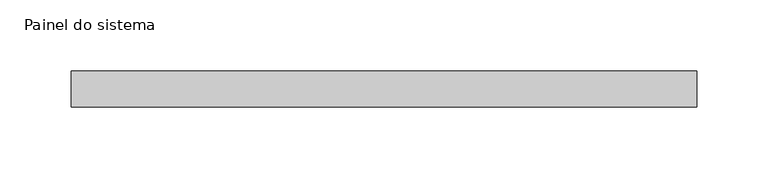
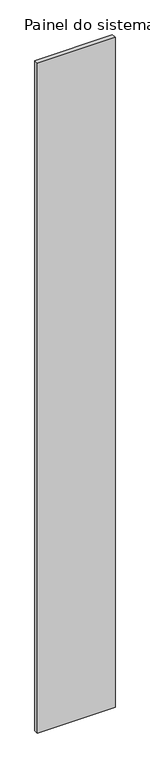
"""IFC4 building model written with IfcOpenShell, lengths in millimetres: plate geometry, Painel do sistema."""

from ifc_helpers import new_model, si_unit, origin, origin_with_axes, place, context, project, spatial, polyline, outline, extrude, source, transform, mapped, element, save


def painel_do_sistema_da17050d(model_context):
    return source(origin(), model_context, "Body", "SweptSolid", [
        extrude(outline(polyline([(219.0499998, 24.5), (-219.0499998, 24.5), (-219.0499998, 49.5), (219.0499998, 49.5), (219.0499998, 24.5)])), origin_with_axes(), (0.0, 0.0, 1.0), 4000.0),
    ])


if __name__ == "__main__":
    model = new_model("IFC4")
    model_context = context("Model", 3, world=origin())
    ifc_project = project(units=[si_unit("LENGTHUNIT", "METRE", prefix="MILLI")], contexts=[model_context])
    site = spatial("IfcSite", under=ifc_project)
    building = spatial("IfcBuilding", under=site)
    placement = place(None, origin())
    painel_do_sistema_shape = painel_do_sistema_da17050d(model_context)
    element("IfcPlate", 1, ObjectType="Painel do sistema", at=placement, inside=building, context=model_context, shape_type="MappedRepresentation", body=[
        mapped(painel_do_sistema_shape, transform((0.0, 0.0, 0.0), x_axis=(1.0, 0.0, 0.0), y_axis=(0.0, 1.0, 0.0), z_axis=(0.0, 0.0, 1.0))),
    ])
    save(model, "model.ifc")
